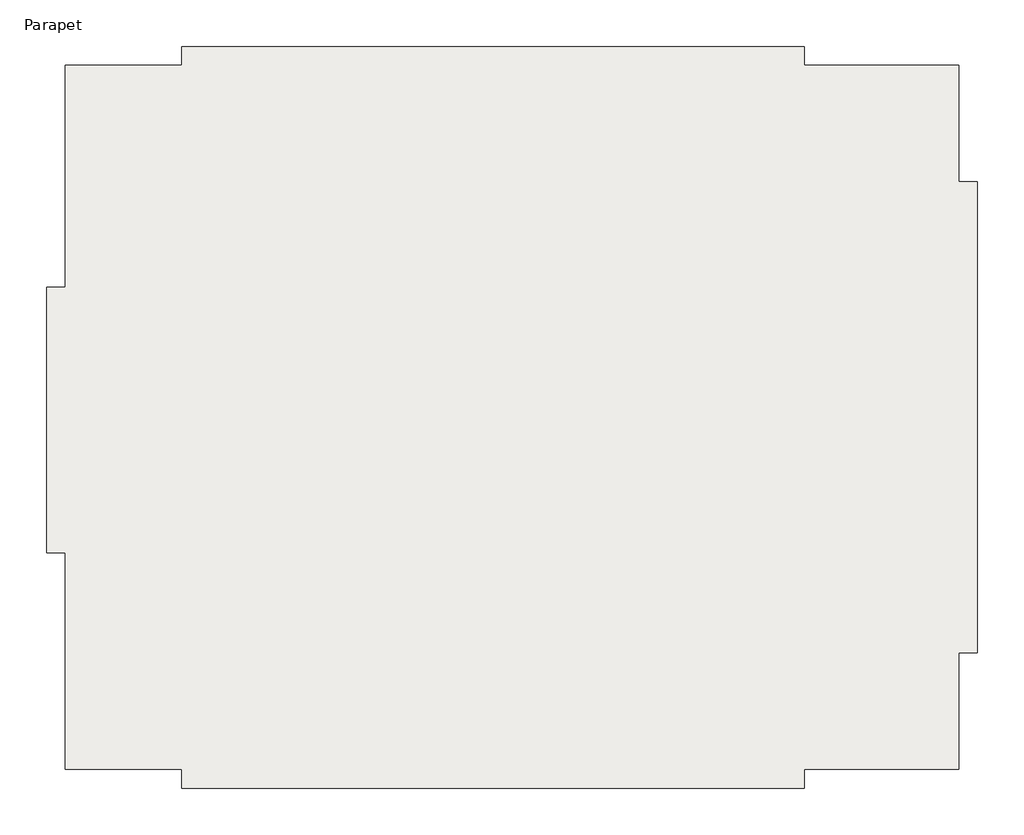
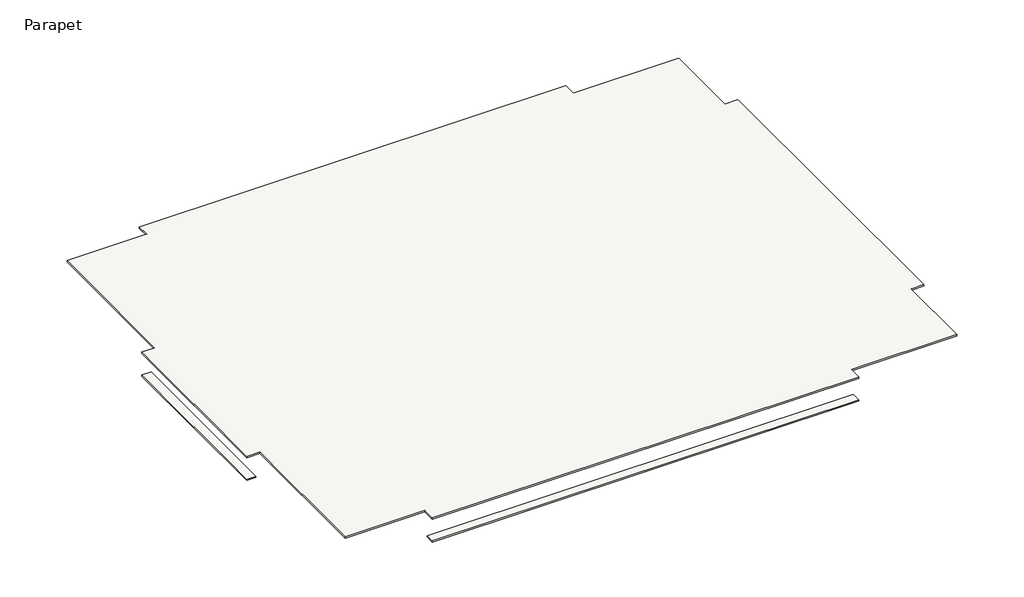
# One storey: 6 coverings, 1 roof.
"""IFC4 building model written with IfcOpenShell, lengths in millimetres."""

import ifcopenshell
import ifcopenshell.guid

model = None  # the IFC model being written
_history = None  # IfcOwnerHistory: only IFC2X3 demands one
_inside = {}  # id of a spatial element -> (the spatial element, [elements in it])
_under = {}  # id of a project, library or spatial element -> (it, [spatial elements below it])
_declared = {}  # id of a project -> (the project, [libraries it declares])
_typed = {}  # id of a type object -> (the type object, [elements of that type])
_made_of = {}  # id of a material, layer set ... -> (it, [elements and type objects made of it])


def new_model(schema):
    """Start an empty IFC model of exactly this schema.

    Asked for "IFC4X3", IfcOpenShell would pick the latest addendum, in which some entities
    have other attributes; the version numbers below select the first issue.
    IFC2X3 requires an IfcOwnerHistory on every rooted entity: one is made here for all.
    """
    global model, _history
    if schema == "IFC4X3":
        model = ifcopenshell.file(schema_version=(4, 3, 0, 0))
    else:
        model = ifcopenshell.file(schema=schema)
    _inside.clear()
    _under.clear()
    _declared.clear()
    _typed.clear()
    _made_of.clear()
    _history = None
    if model.schema == "IFC2X3":
        org = make("IfcOrganization", Name="unknown")
        user = make(
            "IfcPersonAndOrganization",
            ThePerson=make("IfcPerson", FamilyName="unknown"),
            TheOrganization=org,
        )
        app = make(
            "IfcApplication",
            ApplicationDeveloper=org,
            Version="unknown",
            ApplicationFullName="unknown",
            ApplicationIdentifier="unknown",
        )
        _history = make(
            "IfcOwnerHistory",
            OwningUser=user,
            OwningApplication=app,
            ChangeAction="ADDED",
            CreationDate=0,
        )
    return model


def make(cls, **values):
    """One entity of the class cls with the attributes given. An attribute that is None is left unset."""
    return model.create_entity(
        cls, **{name: value for name, value in values.items() if value is not None}
    )


def rooted(cls, **values):
    """An entity with a GlobalId (a new one), such as an element, a storey or a relation."""
    return make(cls, GlobalId=ifcopenshell.guid.new(), OwnerHistory=_history, **values)


def si_unit(unit_type, name, prefix=None):
    """IfcSIUnit, for example si_unit("LENGTHUNIT", "METRE", prefix="MILLI")."""
    return make("IfcSIUnit", UnitType=unit_type, Prefix=prefix, Name=name)


def assignment(units):
    """IfcUnitAssignment: the units of a project."""
    return None if units is None else make("IfcUnitAssignment", Units=units)


def point(xyz):
    """IfcCartesianPoint."""
    return None if xyz is None else make("IfcCartesianPoint", Coordinates=xyz)


def direction(xyz):
    """IfcDirection."""
    return None if xyz is None else make("IfcDirection", DirectionRatios=xyz)


def frame(location, z_axis=None, x_axis=None):
    """IfcAxis2Placement3D, a coordinate frame: its origin and axes. An axis left out is left unset."""
    return make(
        "IfcAxis2Placement3D",
        Location=point(location),
        Axis=direction(z_axis),
        RefDirection=direction(x_axis),
    )


def origin():
    """The frame at (0, 0, 0) with its axes left unset."""
    return frame((0.0, 0.0, 0.0))


def place(relative_to, where):
    """IfcLocalPlacement: puts the frame where relative to a parent placement (None: the world)."""
    return make(
        "IfcLocalPlacement", PlacementRelTo=relative_to, RelativePlacement=where
    )


def context(
    kind, dimensions, precision=None, world=None, true_north=None, identifier=None
):
    """IfcGeometricRepresentationContext, for example the 3D "Model" context."""
    return make(
        "IfcGeometricRepresentationContext",
        ContextIdentifier=identifier,
        ContextType=kind,
        CoordinateSpaceDimension=dimensions,
        Precision=precision,
        WorldCoordinateSystem=world,
        TrueNorth=true_north,
    )


def project(units=None, contexts=None):
    """IfcProject with its units and contexts."""
    return rooted(
        "IfcProject",
        Name="project",
        RepresentationContexts=contexts,
        UnitsInContext=assignment(units),
    )


def spatial(cls, under=None, at=None, **own):
    """A site, building, storey or space (cls), placed at a placement, below another one or the project."""
    s = rooted(cls, ObjectPlacement=at, **own)
    if under is not None:
        _under.setdefault(under.id(), (under, []))[1].append(s)
    return s


def polyline(points):
    """IfcPolyline through the points."""
    return make("IfcPolyline", Points=[point(p) for p in points])


def outline(outer, holes=None, kind="AREA"):
    """IfcArbitraryClosedProfileDef: a profile drawn as a closed curve; with holes, ...WithVoids."""
    if holes is None:
        return make("IfcArbitraryClosedProfileDef", ProfileType=kind, OuterCurve=outer)
    return make(
        "IfcArbitraryProfileDefWithVoids",
        ProfileType=kind,
        OuterCurve=outer,
        InnerCurves=holes,
    )


def extrude(swept, where, along, depth):
    """IfcExtrudedAreaSolid: the profile swept, set in the frame where, extruded along a direction by depth."""
    return make(
        "IfcExtrudedAreaSolid",
        SweptArea=swept,
        Position=where,
        ExtrudedDirection=direction(along),
        Depth=depth,
    )


def shape(context_of_items, identifier, shape_type, items):
    """IfcShapeRepresentation: the items that make up one representation, for example the "Body"."""
    return make(
        "IfcShapeRepresentation",
        ContextOfItems=context_of_items,
        RepresentationIdentifier=identifier,
        RepresentationType=shape_type,
        Items=items,
    )


def made_of(thing, what):
    """Note that an element or type object is made of a material, layer set ...; save() writes the relation."""
    if what is not None:
        _made_of.setdefault(what.id(), (what, []))[1].append(thing)
    return thing


def element(
    cls,
    number,
    at=None,
    inside=None,
    cuts=None,
    type_object=None,
    material=None,
    context=None,
    identifier="Body",
    shape_type=None,
    held_by="IfcProductDefinitionShape",
    body=None,
    shapes=None,
    **own,
):
    """One element of the class cls, such as IfcWall. Its Tag is "e" and its number.

    at: its placement. inside: the storey or other place that contains it. cuts: it is an
    opening in that element (IfcRelVoidsElement). A single representation is given by context,
    identifier, shape_type and body (its items); several are given by shapes. held_by: the class
    of the entity that holds the representations. save() writes the other relations.
    """
    e = rooted(cls, Tag="e%d" % number, ObjectPlacement=at, **own)
    if body is not None:
        shapes = [shape(context, identifier, shape_type, body)]
    if shapes is not None:
        e.Representation = make(held_by, Representations=shapes)
    if inside is not None:
        _inside.setdefault(inside.id(), (inside, []))[1].append(e)
    if cuts is not None:
        rooted(
            "IfcRelVoidsElement", RelatingBuildingElement=cuts, RelatedOpeningElement=e
        )
    if type_object is not None:
        _typed.setdefault(type_object.id(), (type_object, []))[1].append(e)
    return made_of(e, material)


def aggregate(whole, parts):
    """IfcRelAggregates: a whole, such as a stair, and the parts it consists of."""
    return rooted("IfcRelAggregates", RelatingObject=whole, RelatedObjects=parts)


def save(model, path):
    """Write the relations noted so far, then the file.

    IfcRelAggregates (storeys below a building ...), IfcRelContainedInSpatialStructure (elements
    in a storey), IfcRelDefinesByType, IfcRelAssociatesMaterial and IfcRelDeclares: one each for
    every whole, place, type object, material and project.
    """
    for whole, parts in _under.values():
        aggregate(whole, parts)
    for where, things in _inside.values():
        rooted(
            "IfcRelContainedInSpatialStructure",
            RelatedElements=things,
            RelatingStructure=where,
        )
    for kind, things in _typed.values():
        rooted("IfcRelDefinesByType", RelatedObjects=things, RelatingType=kind)
    for what, things in _made_of.values():
        rooted("IfcRelAssociatesMaterial", RelatedObjects=things, RelatingMaterial=what)
    for by, libraries in _declared.values():
        rooted("IfcRelDeclares", RelatingContext=by, RelatedDefinitions=libraries)
    model.write(path)


model = new_model("IFC4")

# Units and contexts
model_context = context("Model", 3, world=origin())
ifc_project = project(units=[si_unit("LENGTHUNIT", "METRE", prefix="MILLI")], contexts=[model_context])

# Site, building, storey
site = spatial("IfcSite", under=ifc_project)
building = spatial("IfcBuilding", under=site)
storey = spatial("IfcBuildingStorey", under=building, Name="Parapet", Elevation=10363.2)

# Coverings
placement = place(None, origin())
element("IfcCovering", 1, ObjectType="GWB on Mtl. Stud", at=placement, inside=storey, context=model_context, shape_type="SweptSolid", body=[
    extrude(outline(polyline([(-27597.8798455, -4348.8580038), (-28359.8798455, -4348.8580038), (-28359.8798455, 10586.3419962), (-27597.8798455, 10586.3419962), (-27597.8798455, -4348.8580038)])), frame((0.0, 0.0, 7315.2), z_axis=(0.0, 0.0, 1.0), x_axis=(1.0, 0.0, 0.0)), (0.0, 0.0, 1.0), 107.95),
])
element("IfcCovering", 2, ObjectType="GWB on Mtl. Stud", at=placement, inside=storey, context=model_context, shape_type="SweptSolid", body=[
    extrude(outline(polyline([(14312.1201545, 24149.9419962), (14312.1201545, 23387.9419962), (-20739.8798455, 23387.9419962), (-20739.8798455, 24149.9419962), (14312.1201545, 24149.9419962)])), frame((0.0, 0.0, 7315.2), z_axis=(0.0, 0.0, 1.0), x_axis=(1.0, 0.0, 0.0)), (0.0, 0.0, 1.0), 107.95),
])
element("IfcCovering", 3, ObjectType="GWB on Mtl. Stud", at=placement, inside=storey, context=model_context, shape_type="SweptSolid", body=[
    extrude(outline(polyline([(14312.1201545, -16845.6580038), (14312.1201545, -17607.6580038), (-20739.8798455, -17607.6580038), (-20739.8798455, -16845.6580038), (14312.1201545, -16845.6580038)])), frame((0.0, 0.0, 7315.2), z_axis=(0.0, 0.0, 1.0), x_axis=(1.0, 0.0, 0.0)), (0.0, 0.0, 1.0), 107.95),
])
element("IfcCovering", 4, ObjectType="GWB on Mtl. Stud", at=placement, inside=storey, context=model_context, shape_type="SweptSolid", body=[
    extrude(outline(polyline([(21449.5201545, 16529.9419962), (24065.7201545, 16529.9419962), (24065.7201545, -9987.6580038), (21449.5201545, -9987.6580038), (21449.5201545, -9225.6580038), (22998.9201545, -9225.6580038), (22998.9201545, -8616.0580038), (21449.5201545, -8616.0580038), (21449.5201545, -6787.2580038), (22998.9201545, -6787.2580038), (22998.9201545, -6177.6580038), (21449.5201545, -6177.6580038), (21449.5201545, -4348.8580038), (22998.9201545, -4348.8580038), (22998.9201545, -3739.2580038), (21449.5201545, -3739.2580038), (21449.5201545, -1910.4580038), (22998.9201545, -1910.4580038), (22998.9201545, -1300.8580038), (21449.5201545, -1300.8580038), (21449.5201545, 527.9419962), (22998.9201545, 527.9419962), (22998.9201545, 1137.5419962), (21449.5201545, 1137.5419962), (21449.5201545, 2966.3419962), (22998.9201545, 2966.3419962), (22998.9201545, 3575.9419962), (21449.5201545, 3575.9419962), (21449.5201545, 5404.7419962), (22998.9201545, 5404.7419962), (22998.9201545, 6014.3419962), (21449.5201545, 6014.3419962), (21449.5201545, 7843.1419962), (22998.9201545, 7843.1419962), (22998.9201545, 8452.7419962), (21449.5201545, 8452.7419962), (21449.5201545, 10281.5419962), (22998.9201545, 10281.5419962), (22998.9201545, 10891.1419962), (21449.5201545, 10891.1419962), (21449.5201545, 12719.9419962), (22998.9201545, 12719.9419962), (22998.9201545, 13329.5419962), (21449.5201545, 13329.5419962), (21449.5201545, 15158.3419962), (22998.9201545, 15158.3419962), (22998.9201545, 15767.9419962), (21449.5201545, 15767.9419962), (21449.5201545, 16529.9419962)])), frame((0.0, 0.0, 7315.2), z_axis=(0.0, 0.0, 1.0), x_axis=(1.0, 0.0, 0.0)), (0.0, 0.0, 1.0), 107.95),
])
element("IfcCovering", 5, ObjectType="GWB on Mtl. Stud", at=placement, inside=storey, context=model_context, shape_type="SweptSolid", body=[
    extrude(outline(polyline([(22795.7201545, 15767.9419962), (21449.5201545, 15767.9419962), (21449.5201545, 16682.3419962), (22795.7201545, 16682.3419962), (22795.7201545, 15767.9419962)])), frame((0.0, 0.0, 6096.0), z_axis=(0.0, 0.0, 1.0), x_axis=(1.0, 0.0, 0.0)), (0.0, 0.0, 1.0), 107.95),
])
element("IfcCovering", 6, ObjectType="GWB on Mtl. Stud", at=placement, inside=storey, context=model_context, shape_type="SweptSolid", body=[
    extrude(outline(polyline([(22795.7201545, 15158.3419962), (22795.7201545, 13329.5419962), (21449.5201545, 13329.5419962), (21449.5201545, 15158.3419962), (22795.7201545, 15158.3419962)])), frame((0.0, 0.0, 6096.0), z_axis=(0.0, 0.0, 1.0), x_axis=(1.0, 0.0, 0.0)), (0.0, 0.0, 1.0), 107.95),
    extrude(outline(polyline([(22795.7201545, 12719.9419962), (22795.7201545, 10891.1419962), (21449.5201545, 10891.1419962), (21449.5201545, 12719.9419962), (22795.7201545, 12719.9419962)])), frame((0.0, 0.0, 6096.0), z_axis=(0.0, 0.0, 1.0), x_axis=(1.0, 0.0, 0.0)), (0.0, 0.0, 1.0), 107.95),
    extrude(outline(polyline([(22795.7201545, 10281.5419962), (22795.7201545, 8452.7419962), (21449.5201545, 8452.7419962), (21449.5201545, 10281.5419962), (22795.7201545, 10281.5419962)])), frame((0.0, 0.0, 6096.0), z_axis=(0.0, 0.0, 1.0), x_axis=(1.0, 0.0, 0.0)), (0.0, 0.0, 1.0), 107.95),
    extrude(outline(polyline([(22795.7201545, 7843.1419962), (22795.7201545, 6014.3419962), (21449.5201545, 6014.3419962), (21449.5201545, 7843.1419962), (22795.7201545, 7843.1419962)])), frame((0.0, 0.0, 6096.0), z_axis=(0.0, 0.0, 1.0), x_axis=(1.0, 0.0, 0.0)), (0.0, 0.0, 1.0), 107.95),
    extrude(outline(polyline([(22795.7201545, 5404.7419962), (22795.7201545, 3575.9419962), (21449.5201545, 3575.9419962), (21449.5201545, 5404.7419962), (22795.7201545, 5404.7419962)])), frame((0.0, 0.0, 6096.0), z_axis=(0.0, 0.0, 1.0), x_axis=(1.0, 0.0, 0.0)), (0.0, 0.0, 1.0), 107.95),
    extrude(outline(polyline([(22795.7201545, 2966.3419962), (22795.7201545, 1137.5419962), (21449.5201545, 1137.5419962), (21449.5201545, 2966.3419962), (22795.7201545, 2966.3419962)])), frame((0.0, 0.0, 6096.0), z_axis=(0.0, 0.0, 1.0), x_axis=(1.0, 0.0, 0.0)), (0.0, 0.0, 1.0), 107.95),
    extrude(outline(polyline([(22795.7201545, 527.9419962), (22795.7201545, -1300.8580038), (21449.5201545, -1300.8580038), (21449.5201545, 527.9419962), (22795.7201545, 527.9419962)])), frame((0.0, 0.0, 6096.0), z_axis=(0.0, 0.0, 1.0), x_axis=(1.0, 0.0, 0.0)), (0.0, 0.0, 1.0), 107.95),
    extrude(outline(polyline([(22795.7201545, -1910.4580038), (22795.7201545, -3739.2580038), (21449.5201545, -3739.2580038), (21449.5201545, -1910.4580038), (22795.7201545, -1910.4580038)])), frame((0.0, 0.0, 6096.0), z_axis=(0.0, 0.0, 1.0), x_axis=(1.0, 0.0, 0.0)), (0.0, 0.0, 1.0), 107.95),
    extrude(outline(polyline([(22795.7201545, -4348.8580038), (22795.7201545, -6177.6580038), (21449.5201545, -6177.6580038), (21449.5201545, -4348.8580038), (22795.7201545, -4348.8580038)])), frame((0.0, 0.0, 6096.0), z_axis=(0.0, 0.0, 1.0), x_axis=(1.0, 0.0, 0.0)), (0.0, 0.0, 1.0), 107.95),
    extrude(outline(polyline([(22795.7201545, -6787.2580038), (22795.7201545, -8616.0580038), (21449.5201545, -8616.0580038), (21449.5201545, -6787.2580038), (22795.7201545, -6787.2580038)])), frame((0.0, 0.0, 6096.0), z_axis=(0.0, 0.0, 1.0), x_axis=(1.0, 0.0, 0.0)), (0.0, 0.0, 1.0), 107.95),
    extrude(outline(polyline([(22795.7201545, -9225.6580038), (22795.7201545, -10140.0580038), (21449.5201545, -10140.0580038), (21449.5201545, -9225.6580038), (22795.7201545, -9225.6580038)])), frame((0.0, 0.0, 6096.0), z_axis=(0.0, 0.0, 1.0), x_axis=(1.0, 0.0, 0.0)), (0.0, 0.0, 1.0), 107.95),
])

# Roof
element("IfcRoof", 7, at=placement, inside=storey, context=model_context, shape_type="SweptSolid", body=[
    extrude(outline(polyline([(-27293.0798455, 23083.1419962), (-20739.8798455, 23083.1419962), (-20739.8798455, 24149.9419962), (14312.1201545, 24149.9419962), (14312.1201545, 23083.1419962), (22998.9201545, 23083.1419962), (22998.9201545, 16529.9419962), (24065.7201545, 16529.9419962), (24065.7201545, -9987.6580038), (22998.9201545, -9987.6580038), (22998.9201545, -16540.8580038), (14312.1201545, -16540.8580038), (14312.1201545, -17607.6580038), (-20739.8798455, -17607.6580038), (-20739.8798455, -16540.8580038), (-27293.0798455, -16540.8580038), (-27293.0798455, -4348.8580038), (-28359.8798455, -4348.8580038), (-28359.8798455, 10586.3419962), (-27293.0798455, 10586.3419962), (-27293.0798455, 23083.1419962)])), frame((0.0, 0.0, 9296.4), z_axis=(0.0, 0.0, 1.0), x_axis=(1.0, 0.0, 0.0)), (0.0, 0.0, 1.0), 133.35),
])

save(model, "model.ifc")
